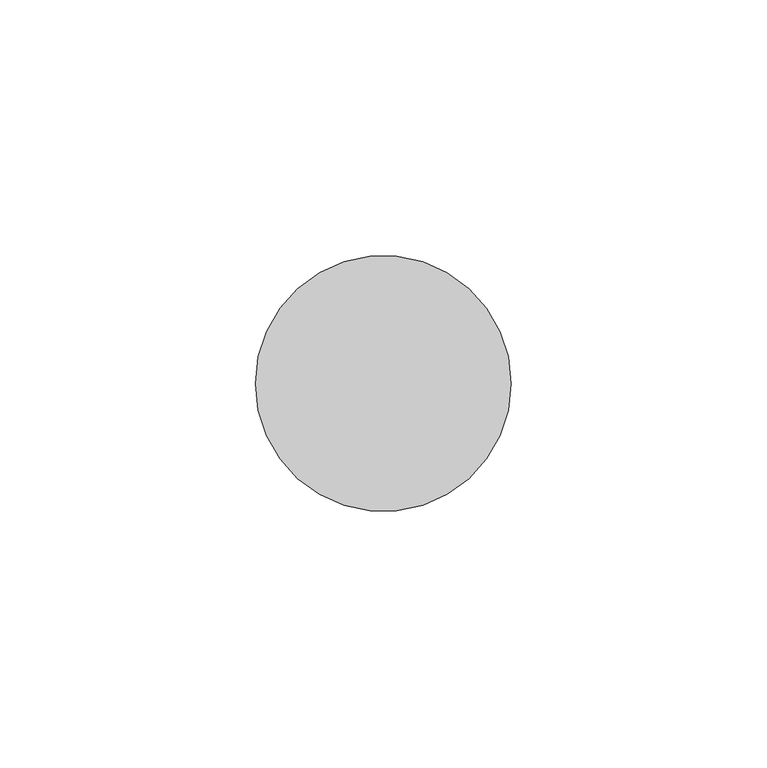
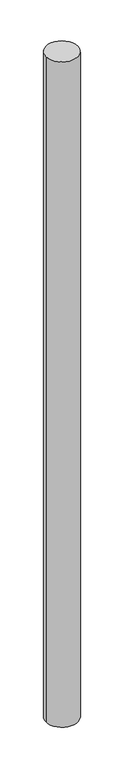
"""IFC4 building model written with IfcOpenShell, lengths in millimetres: member geometry."""

from ifc_helpers import new_model, si_unit, point, frame, origin, origin_2d, place, context, project, spatial, circle_curve, trimmed, segment, composite_curve, outline, extrude, source, transform, mapped, element, save


def member_26579066(model_context):
    return source(origin(), model_context, "Body", "SweptSolid", [
        extrude(outline(composite_curve([segment(trimmed(circle_curve(origin_2d(), 25.0), [point((25.0, 0.0))], [point((-25.0, 0.0))], False, "CARTESIAN"), True, "CONTINUOUS"), segment(trimmed(circle_curve(origin_2d(), 25.0), [point((-25.0, 0.0))], [point((25.0, 0.0))], False, "CARTESIAN"), True, "CONTINUOUS")], self_intersect=False)), frame((0.0, 0.0, -1100.0), z_axis=(0.0, 0.0, 1.0), x_axis=(1.0, 0.0, 0.0)), (0.0, 0.0, 1.0), 1100.0),
    ])


if __name__ == "__main__":
    model = new_model("IFC4")
    model_context = context("Model", 3, world=origin())
    ifc_project = project(units=[si_unit("LENGTHUNIT", "METRE", prefix="MILLI")], contexts=[model_context])
    site = spatial("IfcSite", under=ifc_project)
    building = spatial("IfcBuilding", under=site)
    placement = place(None, origin())
    member_shape = member_26579066(model_context)
    element("IfcMember", 1, at=placement, inside=building, context=model_context, shape_type="MappedRepresentation", body=[
        mapped(member_shape, transform((0.0, 0.0, 0.0), x_axis=(1.0, 0.0, 0.0), y_axis=(0.0, 1.0, 0.0), z_axis=(0.0, 0.0, 1.0))),
    ])
    save(model, "model.ifc")
